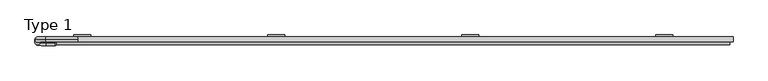
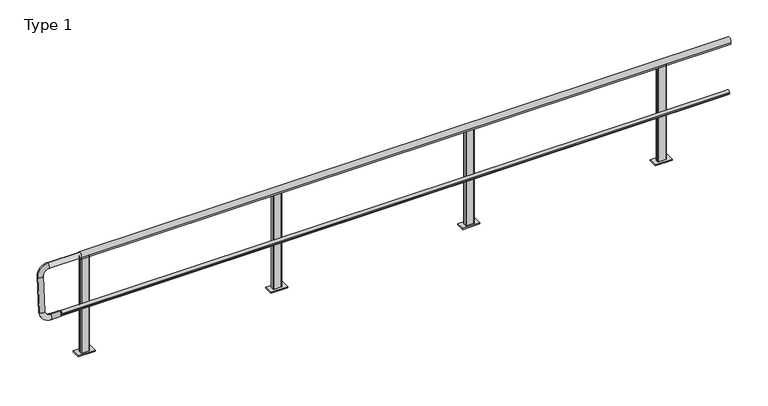
"""IFC4 building model written with IfcOpenShell, lengths in millimetres: railing geometry, Type 1."""

from ifc_helpers import new_model, si_unit, point, frame, frame_2d, origin, place, context, project, spatial, polyline, circle_curve, ellipse_curve, trimmed, segment, composite_curve, outline, extrude, source, transform, mapped, element, save
from ifc_brep_helpers import plane_surface, cylinder_surface, revolved_surface, advanced_brep


def type_1_dfd03757(model_context):
    return source(origin(), model_context, "Body", "SolidModel", [
        advanced_brep(
        [(3618.3333333, 59.0, 958.0000001), (3613.3333333, 54.0, 958.0000001), (3613.3333333, 26.0, 958.0000001), (3618.3333333, 21.0, 958.0000001), (3688.3333333, 21.0, 958.0000001), (3693.3333333, 26.0, 958.0000001), (3693.3333333, 54.0, 958.0000001), (3688.3333333, 59.0, 958.0000001), (3573.3333333, 80.0, 1e-07), (3733.3333333, 80.0, 1e-07), (3733.3333333, 0.0, 1e-07), (3573.3333333, 0.0, 1e-07), (3688.3333333, 59.0, 11.0000001), (3618.3333333, 59.0, 11.0000001), (3693.3333333, 54.0, 11.0000001), (3693.3333333, 26.0, 11.0000001), (3688.3333333, 21.0, 11.0000001), (3618.3333333, 21.0, 11.0000001), (3613.3333333, 26.0, 11.0000001), (3613.3333333, 54.0, 11.0000001), (3573.3333333, 80.0, 11.0000001), (3573.3333333, 0.0, 11.0000001), (3733.3333333, 0.0, 11.0000001), (3733.3333333, 80.0, 11.0000001)],
        [
            (0, 1, circle_curve(frame((3618.3333333, 54.0, 958.0000001), z_axis=(0.0, 0.0, 1.0), x_axis=(-1.0, 0.0, 0.0)), 5.0)),
            (1, 2),
            (2, 3, circle_curve(frame((3618.3333333, 26.0, 958.0000001), z_axis=(0.0, 0.0, 1.0), x_axis=(-1.0, 0.0, 0.0)), 5.0)),
            (3, 4),
            (4, 5, circle_curve(frame((3688.3333333, 26.0, 958.0000001), z_axis=(0.0, 0.0, 1.0), x_axis=(-1.0, 0.0, 0.0)), 5.0)),
            (5, 6),
            (6, 7, circle_curve(frame((3688.3333333, 54.0, 958.0000001), z_axis=(0.0, 0.0, 1.0), x_axis=(-1.0, 0.0, 0.0)), 5.0)),
            (7, 0),
            (8, 9),
            (9, 10),
            (10, 11),
            (11, 8),
            (7, 12),
            (12, 13),
            (13, 0),
            (6, 14),
            (14, 12, circle_curve(frame((3688.3333333, 54.0, 11.0000001), z_axis=(0.0, 0.0, 1.0), x_axis=(-1.0, 0.0, 0.0)), 5.0)),
            (5, 15),
            (15, 14),
            (4, 16),
            (16, 15, circle_curve(frame((3688.3333333, 26.0, 11.0000001), z_axis=(0.0, 0.0, 1.0), x_axis=(-1.0, 0.0, 0.0)), 5.0)),
            (3, 17),
            (17, 16),
            (2, 18),
            (18, 17, circle_curve(frame((3618.3333333, 26.0, 11.0000001), z_axis=(0.0, 0.0, 1.0), x_axis=(-1.0, 0.0, 0.0)), 5.0)),
            (1, 19),
            (19, 18),
            (13, 19, circle_curve(frame((3618.3333333, 54.0, 11.0000001), z_axis=(0.0, 0.0, 1.0), x_axis=(-1.0, 0.0, 0.0)), 5.0)),
            (20, 21),
            (21, 22),
            (22, 23),
            (23, 20),
            (23, 9),
            (8, 20),
            (22, 10),
            (21, 11),
        ],
        [
            plane_surface(frame((3688.3333333, 59.0, 958.0000001), z_axis=(0.0, 0.0, 1.0), x_axis=(1.0, 0.0, 0.0))),
            plane_surface(frame((3688.3333333, 59.0, 1e-07), z_axis=(0.0, 0.0, -1.0), x_axis=(-1.0, 0.0, 0.0))),
            plane_surface(frame((3618.3333333, 59.0, 958.0000001), z_axis=(0.0, 1.0, 0.0), x_axis=(0.0, 0.0, -1.0))),
            cylinder_surface(frame((3688.3333333, 54.0, 1e-07), z_axis=(0.0, 0.0, 1.0), x_axis=(-1.0, 0.0, 0.0)), 5.0),
            plane_surface(frame((3693.3333333, 54.0, 958.0000001), z_axis=(1.0, 0.0, 0.0), x_axis=(0.0, 0.0, -1.0))),
            cylinder_surface(frame((3688.3333333, 26.0, 1e-07), z_axis=(0.0, 0.0, 1.0), x_axis=(-1.0, 0.0, 0.0)), 5.0),
            plane_surface(frame((3688.3333333, 21.0, 958.0000001), z_axis=(0.0, -1.0, 0.0), x_axis=(0.0, 0.0, -1.0))),
            cylinder_surface(frame((3618.3333333, 26.0, 1e-07), z_axis=(0.0, 0.0, 1.0), x_axis=(-1.0, 0.0, 0.0)), 5.0),
            plane_surface(frame((3613.3333333, 26.0, 958.0000001), z_axis=(-1.0, 0.0, 0.0), x_axis=(0.0, 0.0, -1.0))),
            cylinder_surface(frame((3618.3333333, 54.0, 1e-07), z_axis=(0.0, 0.0, 1.0), x_axis=(-1.0, 0.0, 0.0)), 5.0),
            plane_surface(frame((3733.3333333, 80.0, 11.0000001), z_axis=(0.0, 0.0, 1.0), x_axis=(1.0, 0.0, 0.0))),
            plane_surface(frame((3573.3333333, 80.0, 11.0000001), z_axis=(0.0, 1.0, 0.0), x_axis=(0.0, 0.0, -1.0))),
            plane_surface(frame((3733.3333333, 80.0, 11.0000001), z_axis=(1.0, 0.0, 0.0), x_axis=(0.0, 0.0, -1.0))),
            plane_surface(frame((3733.3333333, 0.0, 11.0000001), z_axis=(0.0, -1.0, 0.0), x_axis=(0.0, 0.0, -1.0))),
            plane_surface(frame((3573.3333333, 0.0, 11.0000001), z_axis=(-1.0, 0.0, 0.0), x_axis=(0.0, 0.0, -1.0))),
        ],
        [
            (0, [[1, 2, 3, 4, 5, 6, 7, 8]]),
            (1, [[9, 10, 11, 12]]),
            (2, [[13, 14, 15, -8]]),
            (3, [[16, 17, -13, -7]]),
            (4, [[18, 19, -16, -6]]),
            (5, [[20, 21, -18, -5]]),
            (6, [[22, 23, -20, -4]]),
            (7, [[24, 25, -22, -3]]),
            (8, [[26, 27, -24, -2]]),
            (9, [[-15, 28, -26, -1]]),
            (10, [[29, 30, 31, 32], [-17, -19, -21, -23, -25, -27, -28, -14]]),
            (11, [[33, -9, 34, -32]]),
            (12, [[35, -10, -33, -31]]),
            (13, [[36, -11, -35, -30]]),
            (14, [[-34, -12, -36, -29]]),
        ],
    ),
        advanced_brep(
        [(1811.6666667, 59.0, 958.0000001), (1806.6666667, 54.0, 958.0000001), (1806.6666667, 26.0, 958.0000001), (1811.6666667, 21.0, 958.0000001), (1881.6666667, 21.0, 958.0000001), (1886.6666667, 26.0, 958.0000001), (1886.6666667, 54.0, 958.0000001), (1881.6666667, 59.0, 958.0000001), (1766.6666667, 80.0, 1e-07), (1926.6666667, 80.0, 1e-07), (1926.6666667, 0.0, 1e-07), (1766.6666667, 0.0, 1e-07), (1881.6666667, 59.0, 11.0000001), (1811.6666667, 59.0, 11.0000001), (1886.6666667, 54.0, 11.0000001), (1886.6666667, 26.0, 11.0000001), (1881.6666667, 21.0, 11.0000001), (1811.6666667, 21.0, 11.0000001), (1806.6666667, 26.0, 11.0000001), (1806.6666667, 54.0, 11.0000001), (1766.6666667, 80.0, 11.0000001), (1766.6666667, 0.0, 11.0000001), (1926.6666667, 0.0, 11.0000001), (1926.6666667, 80.0, 11.0000001)],
        [
            (0, 1, circle_curve(frame((1811.6666667, 54.0, 958.0000001), z_axis=(0.0, 0.0, 1.0), x_axis=(-1.0, 0.0, 0.0)), 5.0)),
            (1, 2),
            (2, 3, circle_curve(frame((1811.6666667, 26.0, 958.0000001), z_axis=(0.0, 0.0, 1.0), x_axis=(-1.0, 0.0, 0.0)), 5.0)),
            (3, 4),
            (4, 5, circle_curve(frame((1881.6666667, 26.0, 958.0000001), z_axis=(0.0, 0.0, 1.0), x_axis=(-1.0, 0.0, 0.0)), 5.0)),
            (5, 6),
            (6, 7, circle_curve(frame((1881.6666667, 54.0, 958.0000001), z_axis=(0.0, 0.0, 1.0), x_axis=(-1.0, 0.0, 0.0)), 5.0)),
            (7, 0),
            (8, 9),
            (9, 10),
            (10, 11),
            (11, 8),
            (7, 12),
            (12, 13),
            (13, 0),
            (6, 14),
            (14, 12, circle_curve(frame((1881.6666667, 54.0, 11.0000001), z_axis=(0.0, 0.0, 1.0), x_axis=(-1.0, 0.0, 0.0)), 5.0)),
            (5, 15),
            (15, 14),
            (4, 16),
            (16, 15, circle_curve(frame((1881.6666667, 26.0, 11.0000001), z_axis=(0.0, 0.0, 1.0), x_axis=(-1.0, 0.0, 0.0)), 5.0)),
            (3, 17),
            (17, 16),
            (2, 18),
            (18, 17, circle_curve(frame((1811.6666667, 26.0, 11.0000001), z_axis=(0.0, 0.0, 1.0), x_axis=(-1.0, 0.0, 0.0)), 5.0)),
            (1, 19),
            (19, 18),
            (13, 19, circle_curve(frame((1811.6666667, 54.0, 11.0000001), z_axis=(0.0, 0.0, 1.0), x_axis=(-1.0, 0.0, 0.0)), 5.0)),
            (20, 21),
            (21, 22),
            (22, 23),
            (23, 20),
            (23, 9),
            (8, 20),
            (22, 10),
            (21, 11),
        ],
        [
            plane_surface(frame((1881.6666667, 59.0, 958.0000001), z_axis=(0.0, 0.0, 1.0), x_axis=(1.0, 0.0, 0.0))),
            plane_surface(frame((1881.6666667, 59.0, 1e-07), z_axis=(0.0, 0.0, -1.0), x_axis=(-1.0, 0.0, 0.0))),
            plane_surface(frame((1811.6666667, 59.0, 958.0000001), z_axis=(0.0, 1.0, 0.0), x_axis=(0.0, 0.0, -1.0))),
            cylinder_surface(frame((1881.6666667, 54.0, 1e-07), z_axis=(0.0, 0.0, 1.0), x_axis=(-1.0, 0.0, 0.0)), 5.0),
            plane_surface(frame((1886.6666667, 54.0, 958.0000001), z_axis=(1.0, 0.0, 0.0), x_axis=(0.0, 0.0, -1.0))),
            cylinder_surface(frame((1881.6666667, 26.0, 1e-07), z_axis=(0.0, 0.0, 1.0), x_axis=(-1.0, 0.0, 0.0)), 5.0),
            plane_surface(frame((1881.6666667, 21.0, 958.0000001), z_axis=(0.0, -1.0, 0.0), x_axis=(0.0, 0.0, -1.0))),
            cylinder_surface(frame((1811.6666667, 26.0, 1e-07), z_axis=(0.0, 0.0, 1.0), x_axis=(-1.0, 0.0, 0.0)), 5.0),
            plane_surface(frame((1806.6666667, 26.0, 958.0000001), z_axis=(-1.0, 0.0, 0.0), x_axis=(0.0, 0.0, -1.0))),
            cylinder_surface(frame((1811.6666667, 54.0, 1e-07), z_axis=(0.0, 0.0, 1.0), x_axis=(-1.0, 0.0, 0.0)), 5.0),
            plane_surface(frame((1926.6666667, 80.0, 11.0000001), z_axis=(0.0, 0.0, 1.0), x_axis=(1.0, 0.0, 0.0))),
            plane_surface(frame((1766.6666667, 80.0, 11.0000001), z_axis=(0.0, 1.0, 0.0), x_axis=(0.0, 0.0, -1.0))),
            plane_surface(frame((1926.6666667, 80.0, 11.0000001), z_axis=(1.0, 0.0, 0.0), x_axis=(0.0, 0.0, -1.0))),
            plane_surface(frame((1926.6666667, 0.0, 11.0000001), z_axis=(0.0, -1.0, 0.0), x_axis=(0.0, 0.0, -1.0))),
            plane_surface(frame((1766.6666667, 0.0, 11.0000001), z_axis=(-1.0, 0.0, 0.0), x_axis=(0.0, 0.0, -1.0))),
        ],
        [
            (0, [[1, 2, 3, 4, 5, 6, 7, 8]]),
            (1, [[9, 10, 11, 12]]),
            (2, [[13, 14, 15, -8]]),
            (3, [[16, 17, -13, -7]]),
            (4, [[18, 19, -16, -6]]),
            (5, [[20, 21, -18, -5]]),
            (6, [[22, 23, -20, -4]]),
            (7, [[24, 25, -22, -3]]),
            (8, [[26, 27, -24, -2]]),
            (9, [[-15, 28, -26, -1]]),
            (10, [[29, 30, 31, 32], [-17, -19, -21, -23, -25, -27, -28, -14]]),
            (11, [[33, -9, 34, -32]]),
            (12, [[35, -10, -33, -31]]),
            (13, [[36, -11, -35, -30]]),
            (14, [[-34, -12, -36, -29]]),
        ],
    ),
        advanced_brep(
        [(-200.0, 5.3, 468.0), (-200.0, 5.3, 508.0), (-210.0, 5.3, 463.0), (-210.0, 5.3, 513.0)],
        [
            (0, 1, circle_curve(frame((-200.0, 5.3, 488.0), z_axis=(1.0, 0.0, 0.0), x_axis=(0.0, 0.0, 1.0)), 20.0)),
            (1, 0, circle_curve(frame((-200.0, 5.3, 488.0), z_axis=(1.0, 0.0, 0.0), x_axis=(0.0, 0.0, -1.0)), 20.0)),
            (2, 3, circle_curve(frame((-210.0, 5.3, 488.0), z_axis=(-1.0, 0.0, 0.0), x_axis=(0.0, 0.0, -1.0)), 25.0)),
            (3, 2, circle_curve(frame((-210.0, 5.3, 488.0), z_axis=(-1.0, 0.0, 0.0), x_axis=(0.0, 0.0, 1.0)), 25.0)),
            (2, 0),
            (1, 3),
        ],
        [
            plane_surface(frame((-200.0, 5.3, 488.0), z_axis=(1.0, 0.0, 0.0), x_axis=(0.0, -1.0, 0.0))),
            plane_surface(frame((-210.0, 5.3, 488.0), z_axis=(-1.0, 0.0, 0.0), x_axis=(0.0, -1.0, 0.0))),
            revolved_surface(polyline([(-200.0, 5.3, 468.0), (-210.0, 5.3, 463.0)]), (-160.0, 5.3, 488.0), (-1.0, 0.0, 0.0)),
            revolved_surface(polyline([(-200.0, 5.3, 508.0), (-210.0, 5.3, 513.0)]), (-160.0, 5.3, 488.0), (-1.0, 0.0, 0.0)),
        ],
        [
            (0, [[1, 2]]),
            (1, [[3, 4]]),
            (2, [[5, -2, 6, -3]]),
            (3, [[-6, -1, -5, -4]]),
        ],
    ),
        advanced_brep(
        [(0.0, 41.7768095, 999.936779), (0.0, 38.2231905, 950.063221), (-300.0, 38.2231905, 950.063221), (-300.0, 41.7768095, 999.936779), (-350.0, 34.6695715, 900.1896629), (-400.0, 34.6695715, 900.1896629), (-350.0, 10.6399996, 562.9446635), (-400.0, 10.6399996, 562.9446635), (-300.0, 7.0863806, 513.0711054), (-300.0, 3.5327616, 463.1975474), (-210.0, 3.5327616, 463.1975474), (-210.0, 7.0863806, 513.0711054)],
        [
            (0, 1, circle_curve(frame((0.0, 40.0, 975.0), z_axis=(1.0, 0.0, 0.0), x_axis=(0.0, -0.07107238045513664, -0.9974711608545084)), 25.0)),
            (1, 0, circle_curve(frame((0.0, 40.0, 975.0), z_axis=(1.0, 0.0, 0.0), x_axis=(0.0, -0.07107238045513664, -0.9974711608545084)), 25.0)),
            (1, 2),
            (2, 3, circle_curve(frame((-300.0, 40.0, 975.0), z_axis=(1.0, 0.0, 0.0), x_axis=(0.0, -0.07107238045513664, -0.9974711608545084)), 25.0)),
            (3, 0),
            (3, 2, circle_curve(frame((-300.0, 40.0, 975.0), z_axis=(1.0, 0.0, 0.0), x_axis=(0.0, -0.07107238045513664, -0.9974711608545084)), 25.0)),
            (4, 5, circle_curve(frame((-375.0, 34.6695715, 900.1896629), z_axis=(0.0, 0.07107238045513664, 0.9974711608545084), x_axis=(1.0000000000000002, 0.0, 0.0)), 25.0)),
            (5, 3, circle_curve(frame((-300.0, 34.6695715, 900.1896629), z_axis=(0.0, 0.9974711608545084, -0.07107238045513664), x_axis=(0.0, 0.07107238045513664, 0.9974711608545084)), 100.0)),
            (2, 4, circle_curve(frame((-300.0, 34.6695715, 900.1896629), z_axis=(0.0, -0.9974711608545084, 0.07107238045513664), x_axis=(0.0, 0.07107238045513664, 0.9974711608545084)), 50.0)),
            (5, 4, circle_curve(frame((-375.0, 34.6695715, 900.1896629), z_axis=(0.0, 0.07107238045513664, 0.9974711608545084), x_axis=(1.0000000000000002, 0.0, 0.0)), 25.0)),
            (4, 6),
            (6, 7, circle_curve(frame((-375.0, 10.6399996, 562.9446635), z_axis=(0.0, 0.07107238045513667, 0.9974711608545085), x_axis=(1.0, 0.0, 0.0)), 25.0)),
            (7, 5),
            (7, 6, circle_curve(frame((-375.0, 10.6399996, 562.9446635), z_axis=(0.0, 0.07107238045513667, 0.9974711608545085), x_axis=(1.0, 0.0, 0.0)), 25.0)),
            (8, 9, circle_curve(frame((-300.0, 5.3095711, 488.1343264), z_axis=(-1.0, 0.0, 0.0), x_axis=(0.0, 0.07107238045513666, 0.9974711608545084)), 25.0)),
            (9, 7, circle_curve(frame((-300.0, 10.6399996, 562.9446635), z_axis=(0.0, 0.9974711608545084, -0.07107238045513664), x_axis=(-1.0, 0.0, 0.0)), 100.0)),
            (6, 8, circle_curve(frame((-300.0, 10.6399996, 562.9446635), z_axis=(0.0, -0.9974711608545084, 0.07107238045513664), x_axis=(-1.0, 0.0, 0.0)), 50.0)),
            (9, 8, circle_curve(frame((-300.0, 5.3095711, 488.1343264), z_axis=(-1.0, 0.0, 0.0), x_axis=(0.0, 0.07107238045513666, 0.9974711608545084)), 25.0)),
            (10, 11, circle_curve(frame((-210.0, 5.3095711, 488.1343264), z_axis=(1.0, 0.0, 0.0), x_axis=(0.0, 0.07107238045513664, 0.9974711608545084)), 25.0)),
            (11, 10, circle_curve(frame((-210.0, 5.3095711, 488.1343264), z_axis=(1.0, 0.0, 0.0), x_axis=(0.0, 0.07107238045513664, 0.9974711608545084)), 25.0)),
            (8, 11),
            (10, 9),
        ],
        [
            plane_surface(frame((0.0, 41.7768095, 999.936779), z_axis=(1.0000000000000002, 0.0, 0.0), x_axis=(0.0, 0.9974711608545084, -0.07107238045513664))),
            cylinder_surface(frame((0.0, 40.0, 975.0), z_axis=(1.0000000000000002, 0.0, 0.0), x_axis=(0.0, -0.07107238045513664, -0.9974711608545084)), 25.0),
            revolved_surface(trimmed(ellipse_curve(frame((-300.0, 40.0, 975.0), z_axis=(-1.0000000000000002, 0.0, 0.0), x_axis=(0.0, -0.07107238045513664, -0.9974711608545084)), 25.0, 25.0), [point((-300.0, 41.7768095, 999.936779))], [point((-300.0, 38.2231905, 950.063221))], True, "CARTESIAN"), (-300.0, 34.6695715, 900.1896629), (0.0, 0.9974711608545084, -0.07107238045513664)),
            revolved_surface(trimmed(ellipse_curve(frame((-300.0, 40.0, 975.0), z_axis=(-1.0000000000000002, 0.0, 0.0), x_axis=(0.0, -0.07107238045513664, -0.9974711608545084)), 25.0, 25.0), [point((-300.0, 38.2231905, 950.063221))], [point((-300.0, 41.7768095, 999.936779))], True, "CARTESIAN"), (-300.0, 34.6695715, 900.1896629), (0.0, 0.9974711608545084, -0.07107238045513664)),
            cylinder_surface(frame((-375.0, 34.6695715, 900.1896629), z_axis=(0.0, 0.07107238045513666, 0.9974711608545083), x_axis=(1.0, 0.0, 0.0)), 25.0),
            revolved_surface(trimmed(ellipse_curve(frame((-375.0, 10.6399996, 562.9446635), z_axis=(0.0, -0.07107238045513667, -0.9974711608545084), x_axis=(1.0, 0.0, 0.0)), 25.0, 25.0), [point((-400.0, 10.6399996, 562.9446635))], [point((-350.0, 10.6399996, 562.9446635))], True, "CARTESIAN"), (-300.0, 10.6399996, 562.9446635), (0.0, 0.9974711608545084, -0.07107238045513664)),
            revolved_surface(trimmed(ellipse_curve(frame((-375.0, 10.6399996, 562.9446635), z_axis=(0.0, -0.07107238045513667, -0.9974711608545084), x_axis=(1.0, 0.0, 0.0)), 25.0, 25.0), [point((-350.0, 10.6399996, 562.9446635))], [point((-400.0, 10.6399996, 562.9446635))], True, "CARTESIAN"), (-300.0, 10.6399996, 562.9446635), (0.0, 0.9974711608545084, -0.07107238045513664)),
            plane_surface(frame((-210.0, 3.5327616, 463.1975474), z_axis=(1.0000000000000002, 0.0, 0.0), x_axis=(0.0, 0.9974711608545084, -0.07107238045513664))),
            cylinder_surface(frame((-300.0, 5.3095711, 488.1343264), z_axis=(-1.0, 0.0, 0.0), x_axis=(0.0, 0.07107238045513664, 0.9974711608545084)), 25.0),
        ],
        [
            (0, [[1, 2]]),
            (1, [[3, 4, 5, -2]]),
            (1, [[-5, 6, -3, -1]]),
            (2, [[7, 8, -4, 9]]),
            (3, [[10, -9, -6, -8]]),
            (4, [[11, 12, 13, -7]]),
            (4, [[-13, 14, -11, -10]]),
            (5, [[15, 16, -12, 17]]),
            (6, [[18, -17, -14, -16]]),
            (7, [[19, 20]]),
            (8, [[21, -19, 22, -15]]),
            (8, [[-22, -20, -21, -18]]),
        ],
    ),
        extrude(outline(composite_curve([segment(polyline([(-13.3, 480.617273), (-9.3, 480.617273), (-9.3, 495.382727), (-13.3, 495.382727)]), True, "CONTINUOUS"), segment(trimmed(circle_curve(frame_2d((5.287505, 488.0)), 20.0), [point((-13.3, 495.382727))], [point((21.0, 500.3740657))], False, "CARTESIAN"), True, "CONTINUOUS"), segment(polyline([(21.0, 500.3740657), (21.0, 475.6259343)]), True, "CONTINUOUS"), segment(trimmed(circle_curve(frame_2d((5.287505, 488.0)), 20.0), [point((21.0, 475.6259343))], [point((-13.3, 480.617273))], False, "CARTESIAN"), True, "CONTINUOUS")], self_intersect=False)), frame((-200.0, 0.0, 0.0), z_axis=(1.0, 0.0, 0.0), x_axis=(0.0, 1.0, 0.0)), (0.0, 0.0, 1.0), 6270.0),
        extrude(outline(composite_curve([segment(polyline([(61.0, 961.43534), (61.0, 943.0), (60.0, 943.0), (60.0, 958.0), (20.0, 958.0), (20.0, 943.0), (19.0, 943.0), (19.0, 961.43534)]), True, "CONTINUOUS"), segment(trimmed(circle_curve(frame_2d((40.0, 975.0)), 25.0), [point((19.0, 961.43534))], [point((61.0, 961.43534))], False, "CARTESIAN"), True, "CONTINUOUS")], self_intersect=False)), frame((0.0, 0.0, 0.0), z_axis=(1.0, 0.0, 0.0), x_axis=(0.0, 1.0, 0.0)), (0.0, 0.0, 1.0), 6100.0),
        advanced_brep(
        [(5425.0, 59.0, 958.0), (5420.0, 54.0, 958.0), (5420.0, 26.0, 958.0), (5425.0, 21.0, 958.0), (5495.0, 21.0, 958.0), (5500.0, 26.0, 958.0), (5500.0, 54.0, 958.0), (5495.0, 59.0, 958.0), (5380.0, 80.0, 0.0), (5540.0, 80.0, 0.0), (5540.0, 0.0, 0.0), (5380.0, 0.0, 0.0), (5495.0, 59.0, 11.0), (5425.0, 59.0, 11.0), (5500.0, 54.0, 11.0), (5500.0, 26.0, 11.0), (5495.0, 21.0, 11.0), (5425.0, 21.0, 11.0), (5420.0, 26.0, 11.0), (5420.0, 54.0, 11.0), (5380.0, 80.0, 11.0), (5380.0, 0.0, 11.0), (5540.0, 0.0, 11.0), (5540.0, 80.0, 11.0)],
        [
            (0, 1, circle_curve(frame((5425.0, 54.0, 958.0), z_axis=(0.0, 0.0, 1.0), x_axis=(-1.0, 0.0, 0.0)), 5.0)),
            (1, 2),
            (2, 3, circle_curve(frame((5425.0, 26.0, 958.0), z_axis=(0.0, 0.0, 1.0), x_axis=(-1.0, 0.0, 0.0)), 5.0)),
            (3, 4),
            (4, 5, circle_curve(frame((5495.0, 26.0, 958.0), z_axis=(0.0, 0.0, 1.0), x_axis=(-1.0, 0.0, 0.0)), 5.0)),
            (5, 6),
            (6, 7, circle_curve(frame((5495.0, 54.0, 958.0), z_axis=(0.0, 0.0, 1.0), x_axis=(-1.0, 0.0, 0.0)), 5.0)),
            (7, 0),
            (8, 9),
            (9, 10),
            (10, 11),
            (11, 8),
            (7, 12),
            (12, 13),
            (13, 0),
            (6, 14),
            (14, 12, circle_curve(frame((5495.0, 54.0, 11.0), z_axis=(0.0, 0.0, 1.0), x_axis=(-1.0, 0.0, 0.0)), 5.0)),
            (5, 15),
            (15, 14),
            (4, 16),
            (16, 15, circle_curve(frame((5495.0, 26.0, 11.0), z_axis=(0.0, 0.0, 1.0), x_axis=(-1.0, 0.0, 0.0)), 5.0)),
            (3, 17),
            (17, 16),
            (2, 18),
            (18, 17, circle_curve(frame((5425.0, 26.0, 11.0), z_axis=(0.0, 0.0, 1.0), x_axis=(-1.0, 0.0, 0.0)), 5.0)),
            (1, 19),
            (19, 18),
            (13, 19, circle_curve(frame((5425.0, 54.0, 11.0), z_axis=(0.0, 0.0, 1.0), x_axis=(-1.0, 0.0, 0.0)), 5.0)),
            (20, 21),
            (21, 22),
            (22, 23),
            (23, 20),
            (23, 9),
            (8, 20),
            (22, 10),
            (21, 11),
        ],
        [
            plane_surface(frame((5495.0, 59.0, 958.0), z_axis=(0.0, 0.0, 1.0), x_axis=(1.0, 0.0, 0.0))),
            plane_surface(frame((5495.0, 59.0, 0.0), z_axis=(0.0, 0.0, -1.0), x_axis=(-1.0, 0.0, 0.0))),
            plane_surface(frame((5425.0, 59.0, 958.0), z_axis=(0.0, 1.0, 0.0), x_axis=(0.0, 0.0, -1.0))),
            cylinder_surface(frame((5495.0, 54.0, 0.0), z_axis=(0.0, 0.0, 1.0), x_axis=(-1.0, 0.0, 0.0)), 5.0),
            plane_surface(frame((5500.0, 54.0, 958.0), z_axis=(1.0, 0.0, 0.0), x_axis=(0.0, 0.0, -1.0))),
            cylinder_surface(frame((5495.0, 26.0, 0.0), z_axis=(0.0, 0.0, 1.0), x_axis=(-1.0, 0.0, 0.0)), 5.0),
            plane_surface(frame((5495.0, 21.0, 958.0), z_axis=(0.0, -1.0, 0.0), x_axis=(0.0, 0.0, -1.0))),
            cylinder_surface(frame((5425.0, 26.0, 0.0), z_axis=(0.0, 0.0, 1.0), x_axis=(-1.0, 0.0, 0.0)), 5.0),
            plane_surface(frame((5420.0, 26.0, 958.0), z_axis=(-1.0, 0.0, 0.0), x_axis=(0.0, 0.0, -1.0))),
            cylinder_surface(frame((5425.0, 54.0, 0.0), z_axis=(0.0, 0.0, 1.0), x_axis=(-1.0, 0.0, 0.0)), 5.0),
            plane_surface(frame((5540.0, 80.0, 11.0), z_axis=(0.0, 0.0, 1.0), x_axis=(1.0, 0.0, 0.0))),
            plane_surface(frame((5380.0, 80.0, 11.0), z_axis=(0.0, 1.0, 0.0), x_axis=(0.0, 0.0, -1.0))),
            plane_surface(frame((5540.0, 80.0, 11.0), z_axis=(1.0, 0.0, 0.0), x_axis=(0.0, 0.0, -1.0))),
            plane_surface(frame((5540.0, 0.0, 11.0), z_axis=(0.0, -1.0, 0.0), x_axis=(0.0, 0.0, -1.0))),
            plane_surface(frame((5380.0, 0.0, 11.0), z_axis=(-1.0, 0.0, 0.0), x_axis=(0.0, 0.0, -1.0))),
        ],
        [
            (0, [[1, 2, 3, 4, 5, 6, 7, 8]]),
            (1, [[9, 10, 11, 12]]),
            (2, [[13, 14, 15, -8]]),
            (3, [[16, 17, -13, -7]]),
            (4, [[18, 19, -16, -6]]),
            (5, [[20, 21, -18, -5]]),
            (6, [[22, 23, -20, -4]]),
            (7, [[24, 25, -22, -3]]),
            (8, [[26, 27, -24, -2]]),
            (9, [[-15, 28, -26, -1]]),
            (10, [[29, 30, 31, 32], [-17, -19, -21, -23, -25, -27, -28, -14]]),
            (11, [[33, -9, 34, -32]]),
            (12, [[35, -10, -33, -31]]),
            (13, [[36, -11, -35, -30]]),
            (14, [[-34, -12, -36, -29]]),
        ],
    ),
        advanced_brep(
        [(5.0, 59.0, 958.0), (0.0, 54.0, 958.0), (0.0, 26.0, 958.0), (5.0, 21.0, 958.0), (75.0, 21.0, 958.0), (80.0, 26.0, 958.0), (80.0, 54.0, 958.0), (75.0, 59.0, 958.0), (-40.0, 80.0, 0.0), (120.0, 80.0, 0.0), (120.0, 0.0, 0.0), (-40.0, 0.0, 0.0), (75.0, 59.0, 11.0), (5.0, 59.0, 11.0), (80.0, 54.0, 11.0), (80.0, 26.0, 11.0), (75.0, 21.0, 11.0), (5.0, 21.0, 11.0), (0.0, 26.0, 11.0), (0.0, 54.0, 11.0), (-40.0, 80.0, 11.0), (-40.0, 0.0, 11.0), (120.0, 0.0, 11.0), (120.0, 80.0, 11.0)],
        [
            (0, 1, circle_curve(frame((5.0, 54.0, 958.0), z_axis=(0.0, 0.0, 1.0), x_axis=(-1.0, 0.0, 0.0)), 5.0)),
            (1, 2),
            (2, 3, circle_curve(frame((5.0, 26.0, 958.0), z_axis=(0.0, 0.0, 1.0), x_axis=(-1.0, 0.0, 0.0)), 5.0)),
            (3, 4),
            (4, 5, circle_curve(frame((75.0, 26.0, 958.0), z_axis=(0.0, 0.0, 1.0), x_axis=(-1.0, 0.0, 0.0)), 5.0)),
            (5, 6),
            (6, 7, circle_curve(frame((75.0, 54.0, 958.0), z_axis=(0.0, 0.0, 1.0), x_axis=(-1.0, 0.0, 0.0)), 5.0)),
            (7, 0),
            (8, 9),
            (9, 10),
            (10, 11),
            (11, 8),
            (7, 12),
            (12, 13),
            (13, 0),
            (6, 14),
            (14, 12, circle_curve(frame((75.0, 54.0, 11.0), z_axis=(0.0, 0.0, 1.0), x_axis=(-1.0, 0.0, 0.0)), 5.0)),
            (5, 15),
            (15, 14),
            (4, 16),
            (16, 15, circle_curve(frame((75.0, 26.0, 11.0), z_axis=(0.0, 0.0, 1.0), x_axis=(-1.0, 0.0, 0.0)), 5.0)),
            (3, 17),
            (17, 16),
            (2, 18),
            (18, 17, circle_curve(frame((5.0, 26.0, 11.0), z_axis=(0.0, 0.0, 1.0), x_axis=(-1.0, 0.0, 0.0)), 5.0)),
            (1, 19),
            (19, 18),
            (13, 19, circle_curve(frame((5.0, 54.0, 11.0), z_axis=(0.0, 0.0, 1.0), x_axis=(-1.0, 0.0, 0.0)), 5.0)),
            (20, 21),
            (21, 22),
            (22, 23),
            (23, 20),
            (23, 9),
            (8, 20),
            (22, 10),
            (21, 11),
        ],
        [
            plane_surface(frame((75.0, 59.0, 958.0), z_axis=(0.0, 0.0, 1.0), x_axis=(1.0, 0.0, 0.0))),
            plane_surface(frame((75.0, 59.0, 0.0), z_axis=(0.0, 0.0, -1.0), x_axis=(-1.0, 0.0, 0.0))),
            plane_surface(frame((5.0, 59.0, 958.0), z_axis=(0.0, 1.0, 0.0), x_axis=(0.0, 0.0, -1.0))),
            cylinder_surface(frame((75.0, 54.0, 0.0), z_axis=(0.0, 0.0, 1.0), x_axis=(-1.0, 0.0, 0.0)), 5.0),
            plane_surface(frame((80.0, 54.0, 958.0), z_axis=(1.0, 0.0, 0.0), x_axis=(0.0, 0.0, -1.0))),
            cylinder_surface(frame((75.0, 26.0, 0.0), z_axis=(0.0, 0.0, 1.0), x_axis=(-1.0, 0.0, 0.0)), 5.0),
            plane_surface(frame((75.0, 21.0, 958.0), z_axis=(0.0, -1.0, 0.0), x_axis=(0.0, 0.0, -1.0))),
            cylinder_surface(frame((5.0, 26.0, 0.0), z_axis=(0.0, 0.0, 1.0), x_axis=(-1.0, 0.0, 0.0)), 5.0),
            plane_surface(frame((0.0, 26.0, 958.0), z_axis=(-1.0, 0.0, 0.0), x_axis=(0.0, 0.0, -1.0))),
            cylinder_surface(frame((5.0, 54.0, 0.0), z_axis=(0.0, 0.0, 1.0), x_axis=(-1.0, 0.0, 0.0)), 5.0),
            plane_surface(frame((120.0, 80.0, 11.0), z_axis=(0.0, 0.0, 1.0), x_axis=(1.0, 0.0, 0.0))),
            plane_surface(frame((-40.0, 80.0, 11.0), z_axis=(0.0, 1.0, 0.0), x_axis=(0.0, 0.0, -1.0))),
            plane_surface(frame((120.0, 80.0, 11.0), z_axis=(1.0, 0.0, 0.0), x_axis=(0.0, 0.0, -1.0))),
            plane_surface(frame((120.0, 0.0, 11.0), z_axis=(0.0, -1.0, 0.0), x_axis=(0.0, 0.0, -1.0))),
            plane_surface(frame((-40.0, 0.0, 11.0), z_axis=(-1.0, 0.0, 0.0), x_axis=(0.0, 0.0, -1.0))),
        ],
        [
            (0, [[1, 2, 3, 4, 5, 6, 7, 8]]),
            (1, [[9, 10, 11, 12]]),
            (2, [[13, 14, 15, -8]]),
            (3, [[16, 17, -13, -7]]),
            (4, [[18, 19, -16, -6]]),
            (5, [[20, 21, -18, -5]]),
            (6, [[22, 23, -20, -4]]),
            (7, [[24, 25, -22, -3]]),
            (8, [[26, 27, -24, -2]]),
            (9, [[-15, 28, -26, -1]]),
            (10, [[29, 30, 31, 32], [-17, -19, -21, -23, -25, -27, -28, -14]]),
            (11, [[33, -9, 34, -32]]),
            (12, [[35, -10, -33, -31]]),
            (13, [[36, -11, -35, -30]]),
            (14, [[-34, -12, -36, -29]]),
        ],
    ),
    ])


if __name__ == "__main__":
    model = new_model("IFC4")
    model_context = context("Model", 3, world=origin())
    ifc_project = project(units=[si_unit("LENGTHUNIT", "METRE", prefix="MILLI")], contexts=[model_context])
    site = spatial("IfcSite", under=ifc_project)
    building = spatial("IfcBuilding", under=site)
    placement = place(None, origin())
    type_1_shape = type_1_dfd03757(model_context)
    element("IfcRailing", 1, ObjectType="Type 1", at=placement, inside=building, context=model_context, shape_type="MappedRepresentation", body=[
        mapped(type_1_shape, transform((0.0, 0.0, 0.0), x_axis=(1.0, 0.0, 0.0), y_axis=(0.0, 1.0, 0.0), z_axis=(0.0, 0.0, 1.0))),
    ])
    save(model, "model.ifc")
